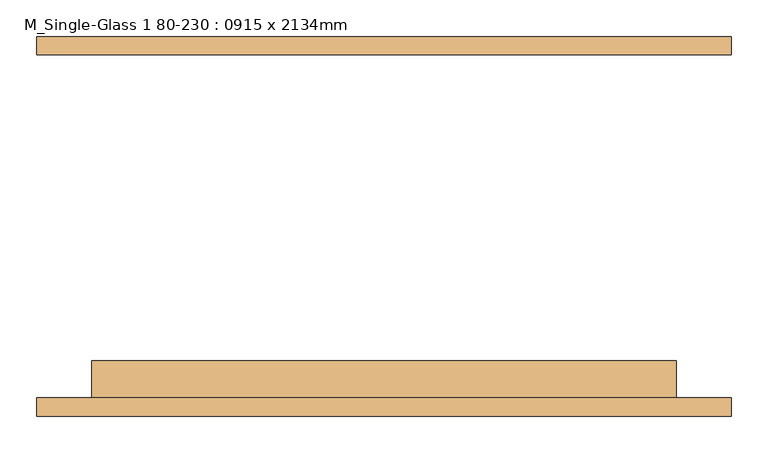
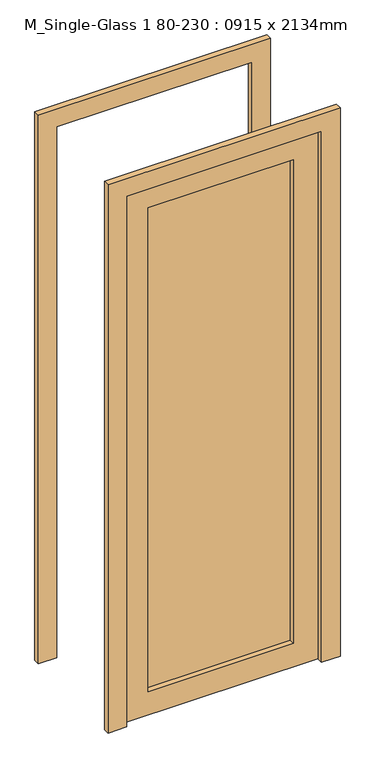
"""IFC4 building model written with IfcOpenShell, lengths in millimetres: door geometry, M_Single-Glass 1 80-230 : 0915 x 2134mm."""

import ifcopenshell
import ifcopenshell.guid

model = None  # the IFC model being written
_history = None  # IfcOwnerHistory: only IFC2X3 demands one
_inside = {}  # id of a spatial element -> (the spatial element, [elements in it])
_under = {}  # id of a project, library or spatial element -> (it, [spatial elements below it])
_declared = {}  # id of a project -> (the project, [libraries it declares])
_typed = {}  # id of a type object -> (the type object, [elements of that type])
_made_of = {}  # id of a material, layer set ... -> (it, [elements and type objects made of it])


def new_model(schema):
    """Start an empty IFC model of exactly this schema.

    Asked for "IFC4X3", IfcOpenShell would pick the latest addendum, in which some entities
    have other attributes; the version numbers below select the first issue.
    IFC2X3 requires an IfcOwnerHistory on every rooted entity: one is made here for all.
    """
    global model, _history
    if schema == "IFC4X3":
        model = ifcopenshell.file(schema_version=(4, 3, 0, 0))
    else:
        model = ifcopenshell.file(schema=schema)
    _inside.clear()
    _under.clear()
    _declared.clear()
    _typed.clear()
    _made_of.clear()
    _history = None
    if model.schema == "IFC2X3":
        org = make("IfcOrganization", Name="unknown")
        user = make(
            "IfcPersonAndOrganization",
            ThePerson=make("IfcPerson", FamilyName="unknown"),
            TheOrganization=org,
        )
        app = make(
            "IfcApplication",
            ApplicationDeveloper=org,
            Version="unknown",
            ApplicationFullName="unknown",
            ApplicationIdentifier="unknown",
        )
        _history = make(
            "IfcOwnerHistory",
            OwningUser=user,
            OwningApplication=app,
            ChangeAction="ADDED",
            CreationDate=0,
        )
    return model


def make(cls, **values):
    """One entity of the class cls with the attributes given. An attribute that is None is left unset."""
    return model.create_entity(
        cls, **{name: value for name, value in values.items() if value is not None}
    )


def rooted(cls, **values):
    """An entity with a GlobalId (a new one), such as an element, a storey or a relation."""
    return make(cls, GlobalId=ifcopenshell.guid.new(), OwnerHistory=_history, **values)


def si_unit(unit_type, name, prefix=None):
    """IfcSIUnit, for example si_unit("LENGTHUNIT", "METRE", prefix="MILLI")."""
    return make("IfcSIUnit", UnitType=unit_type, Prefix=prefix, Name=name)


def assignment(units):
    """IfcUnitAssignment: the units of a project."""
    return None if units is None else make("IfcUnitAssignment", Units=units)


def point(xyz):
    """IfcCartesianPoint."""
    return None if xyz is None else make("IfcCartesianPoint", Coordinates=xyz)


def direction(xyz):
    """IfcDirection."""
    return None if xyz is None else make("IfcDirection", DirectionRatios=xyz)


def frame(location, z_axis=None, x_axis=None):
    """IfcAxis2Placement3D, a coordinate frame: its origin and axes. An axis left out is left unset."""
    return make(
        "IfcAxis2Placement3D",
        Location=point(location),
        Axis=direction(z_axis),
        RefDirection=direction(x_axis),
    )


def origin():
    """The frame at (0, 0, 0) with its axes left unset."""
    return frame((0.0, 0.0, 0.0))


def place(relative_to, where):
    """IfcLocalPlacement: puts the frame where relative to a parent placement (None: the world)."""
    return make(
        "IfcLocalPlacement", PlacementRelTo=relative_to, RelativePlacement=where
    )


def context(
    kind, dimensions, precision=None, world=None, true_north=None, identifier=None
):
    """IfcGeometricRepresentationContext, for example the 3D "Model" context."""
    return make(
        "IfcGeometricRepresentationContext",
        ContextIdentifier=identifier,
        ContextType=kind,
        CoordinateSpaceDimension=dimensions,
        Precision=precision,
        WorldCoordinateSystem=world,
        TrueNorth=true_north,
    )


def project(units=None, contexts=None):
    """IfcProject with its units and contexts."""
    return rooted(
        "IfcProject",
        Name="project",
        RepresentationContexts=contexts,
        UnitsInContext=assignment(units),
    )


def spatial(cls, under=None, at=None, **own):
    """A site, building, storey or space (cls), placed at a placement, below another one or the project."""
    s = rooted(cls, ObjectPlacement=at, **own)
    if under is not None:
        _under.setdefault(under.id(), (under, []))[1].append(s)
    return s


def polyline(points):
    """IfcPolyline through the points."""
    return make("IfcPolyline", Points=[point(p) for p in points])


def outline(outer, holes=None, kind="AREA"):
    """IfcArbitraryClosedProfileDef: a profile drawn as a closed curve; with holes, ...WithVoids."""
    if holes is None:
        return make("IfcArbitraryClosedProfileDef", ProfileType=kind, OuterCurve=outer)
    return make(
        "IfcArbitraryProfileDefWithVoids",
        ProfileType=kind,
        OuterCurve=outer,
        InnerCurves=holes,
    )


def extrude(swept, where, along, depth):
    """IfcExtrudedAreaSolid: the profile swept, set in the frame where, extruded along a direction by depth."""
    return make(
        "IfcExtrudedAreaSolid",
        SweptArea=swept,
        Position=where,
        ExtrudedDirection=direction(along),
        Depth=depth,
    )


def shape(context_of_items, identifier, shape_type, items):
    """IfcShapeRepresentation: the items that make up one representation, for example the "Body"."""
    return make(
        "IfcShapeRepresentation",
        ContextOfItems=context_of_items,
        RepresentationIdentifier=identifier,
        RepresentationType=shape_type,
        Items=items,
    )


def source(mapping_origin, context_of_items, identifier, shape_type, items):
    """IfcRepresentationMap: a shape defined once, which mapped items show again and again."""
    return make(
        "IfcRepresentationMap",
        MappingOrigin=mapping_origin,
        MappedRepresentation=shape(context_of_items, identifier, shape_type, items),
    )


def transform(
    local_origin,
    x_axis=None,
    y_axis=None,
    z_axis=None,
    scale=None,
    scale2=None,
    scale3=None,
    uniform=True,
):
    """IfcCartesianTransformationOperator3D, or its non-uniform kind. x_axis, y_axis, z_axis: its Axis1, 2, 3."""
    if uniform:
        return make(
            "IfcCartesianTransformationOperator3D",
            Axis1=direction(x_axis),
            Axis2=direction(y_axis),
            LocalOrigin=point(local_origin),
            Scale=scale,
            Axis3=direction(z_axis),
        )
    return make(
        "IfcCartesianTransformationOperator3DnonUniform",
        Axis1=direction(x_axis),
        Axis2=direction(y_axis),
        LocalOrigin=point(local_origin),
        Scale=scale,
        Axis3=direction(z_axis),
        Scale2=scale2,
        Scale3=scale3,
    )


def mapped(mapping_source, mapping_target):
    """IfcMappedItem: shows the shape of a source again, moved by a transform."""
    return make(
        "IfcMappedItem", MappingSource=mapping_source, MappingTarget=mapping_target
    )


def made_of(thing, what):
    """Note that an element or type object is made of a material, layer set ...; save() writes the relation."""
    if what is not None:
        _made_of.setdefault(what.id(), (what, []))[1].append(thing)
    return thing


def element(
    cls,
    number,
    at=None,
    inside=None,
    cuts=None,
    type_object=None,
    material=None,
    context=None,
    identifier="Body",
    shape_type=None,
    held_by="IfcProductDefinitionShape",
    body=None,
    shapes=None,
    **own,
):
    """One element of the class cls, such as IfcWall. Its Tag is "e" and its number.

    at: its placement. inside: the storey or other place that contains it. cuts: it is an
    opening in that element (IfcRelVoidsElement). A single representation is given by context,
    identifier, shape_type and body (its items); several are given by shapes. held_by: the class
    of the entity that holds the representations. save() writes the other relations.
    """
    e = rooted(cls, Tag="e%d" % number, ObjectPlacement=at, **own)
    if body is not None:
        shapes = [shape(context, identifier, shape_type, body)]
    if shapes is not None:
        e.Representation = make(held_by, Representations=shapes)
    if inside is not None:
        _inside.setdefault(inside.id(), (inside, []))[1].append(e)
    if cuts is not None:
        rooted(
            "IfcRelVoidsElement", RelatingBuildingElement=cuts, RelatedOpeningElement=e
        )
    if type_object is not None:
        _typed.setdefault(type_object.id(), (type_object, []))[1].append(e)
    return made_of(e, material)


def aggregate(whole, parts):
    """IfcRelAggregates: a whole, such as a stair, and the parts it consists of."""
    return rooted("IfcRelAggregates", RelatingObject=whole, RelatedObjects=parts)


def save(model, path):
    """Write the relations noted so far, then the file.

    IfcRelAggregates (storeys below a building ...), IfcRelContainedInSpatialStructure (elements
    in a storey), IfcRelDefinesByType, IfcRelAssociatesMaterial and IfcRelDeclares: one each for
    every whole, place, type object, material and project.
    """
    for whole, parts in _under.values():
        aggregate(whole, parts)
    for where, things in _inside.values():
        rooted(
            "IfcRelContainedInSpatialStructure",
            RelatedElements=things,
            RelatingStructure=where,
        )
    for kind, things in _typed.values():
        rooted("IfcRelDefinesByType", RelatedObjects=things, RelatingType=kind)
    for what, things in _made_of.values():
        rooted("IfcRelAssociatesMaterial", RelatedObjects=things, RelatingMaterial=what)
    for by, libraries in _declared.values():
        rooted("IfcRelDeclares", RelatingContext=by, RelatedDefinitions=libraries)
    model.write(path)


def m_single_glass_1_80_230_0915_x_2134mm_c8014b70(model_context):
    return source(origin(), model_context, "Body", "SweptSolid", [
        extrude(outline(polyline([(2300.0, 400.0), (0.0, 400.0), (0.0, 476.0), (2376.0, 476.0), (2376.0, -476.0), (0.0, -476.0), (0.0, -400.0), (2300.0, -400.0), (2300.0, 400.0)])), frame((0.0, 235.0, 0.0), z_axis=(0.0, 1.0, 0.0), x_axis=(0.0, 0.0, 1.0)), (0.0, 0.0, 1.0), 25.0),
        extrude(outline(polyline([(2300.0, 400.0), (0.0, 400.0), (0.0, 476.0), (2376.0, 476.0), (2376.0, -476.0), (0.0, -476.0), (0.0, -400.0), (2300.0, -400.0), (2300.0, 400.0)])), frame((0.0, -260.0, 0.0), z_axis=(0.0, 1.0, 0.0), x_axis=(0.0, 0.0, 1.0)), (0.0, 0.0, 1.0), 25.0),
        extrude(outline(polyline([(298.0, -206.425), (298.0, -212.775), (-298.0, -212.775), (-298.0, -206.425), (298.0, -206.425)])), frame((0.0, 0.0, 102.0), z_axis=(0.0, 0.0, 1.0), x_axis=(1.0, 0.0, 0.0)), (0.0, 0.0, 1.0), 2096.0),
        extrude(outline(polyline([(2300.0, 400.0), (2300.0, -400.0), (0.0, -400.0), (0.0, 400.0), (2300.0, 400.0)]), holes=[polyline([(2198.0, -298.0), (2198.0, 298.0), (102.0, 298.0), (102.0, -298.0), (2198.0, -298.0)])]), frame((0.0, -235.0, 0.0), z_axis=(0.0, 1.0, 0.0), x_axis=(0.0, 0.0, 1.0)), (0.0, 0.0, 1.0), 51.0),
    ])


if __name__ == "__main__":
    model = new_model("IFC4")
    model_context = context("Model", 3, world=origin())
    ifc_project = project(units=[si_unit("LENGTHUNIT", "METRE", prefix="MILLI")], contexts=[model_context])
    site = spatial("IfcSite", under=ifc_project)
    building = spatial("IfcBuilding", under=site)
    placement = place(None, origin())
    m_single_glass_1_80_230_0915_x_2134mm_shape = m_single_glass_1_80_230_0915_x_2134mm_c8014b70(model_context)
    element("IfcDoor", 1, ObjectType="M_Single-Glass 1 80-230 : 0915 x 2134mm", at=placement, inside=building, context=model_context, shape_type="MappedRepresentation", body=[
        mapped(m_single_glass_1_80_230_0915_x_2134mm_shape, transform((0.0, 0.0, 0.0), x_axis=(1.0, 0.0, 0.0), y_axis=(0.0, 1.0, 0.0), z_axis=(0.0, 0.0, 1.0))),
    ])
    save(model, "model.ifc")
